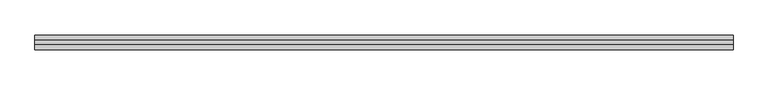
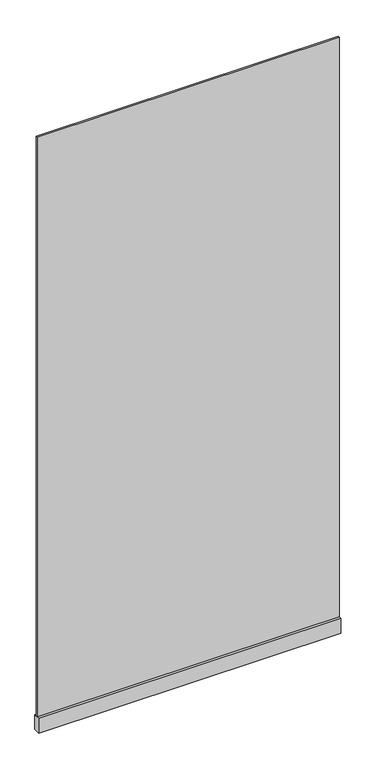
"""IFC4 building model written with IfcOpenShell, lengths in millimetres: plate geometry."""

from ifc_helpers import new_model, si_unit, frame, origin, origin_with_axes, place, context, project, spatial, polyline, outline, extrude, source, transform, mapped, element, save


def plate_4cdf4cda(model_context):
    return source(origin(), model_context, "Body", "SweptSolid", [
        extrude(outline(polyline([(-955.7142857, -5.0), (-955.7142857, 5.0), (955.7142857, 5.0), (955.7142857, -5.0), (-955.7142857, -5.0)])), frame((0.0, 0.0, 100.0), z_axis=(0.0, 0.0, 1.0), x_axis=(1.0, 0.0, 0.0)), (0.0, 0.0, 1.0), 3875.0),
        extrude(outline(polyline([(-955.7142857, -20.0), (-955.7142857, 20.0), (955.7142857, 20.0), (955.7142857, -20.0), (-955.7142857, -20.0)])), origin_with_axes(), (0.0, 0.0, 1.0), 100.0),
    ])


if __name__ == "__main__":
    model = new_model("IFC4")
    model_context = context("Model", 3, world=origin())
    ifc_project = project(units=[si_unit("LENGTHUNIT", "METRE", prefix="MILLI")], contexts=[model_context])
    site = spatial("IfcSite", under=ifc_project)
    building = spatial("IfcBuilding", under=site)
    placement = place(None, origin())
    plate_shape = plate_4cdf4cda(model_context)
    element("IfcPlate", 1, at=placement, inside=building, context=model_context, shape_type="MappedRepresentation", body=[
        mapped(plate_shape, transform((0.0, 0.0, 0.0), x_axis=(1.0, 0.0, 0.0), y_axis=(0.0, 1.0, 0.0), z_axis=(0.0, 0.0, 1.0))),
    ])
    save(model, "model.ifc")
